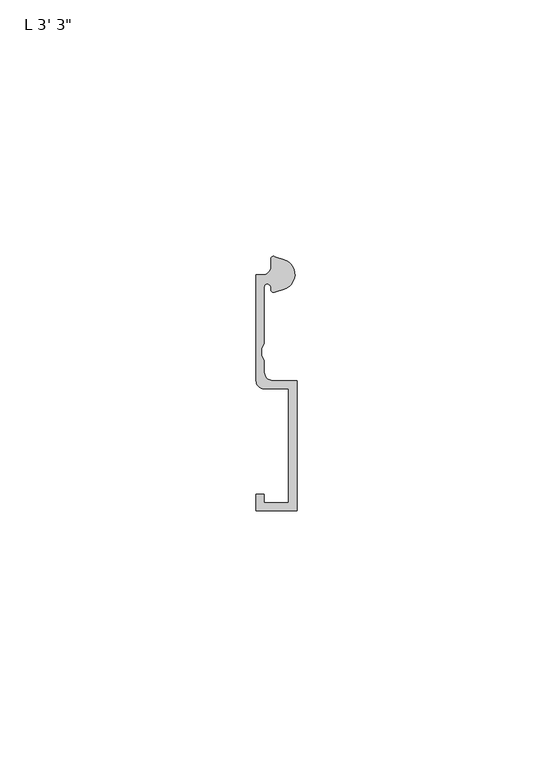
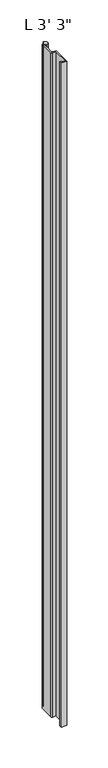
"""IFC4 building model written with IfcOpenShell, lengths in millimetres: proxy geometry."""

from ifc_helpers import new_model, si_unit, point, frame_2d, origin, origin_with_axes, place, context, project, spatial, polyline, circle_curve, trimmed, segment, composite_curve, outline, extrude, source, transform, mapped, element, save


def proxy_cd273aa1(model_context):
    return source(origin(), model_context, "Body", "SweptSolid", [
        extrude(outline(composite_curve([segment(trimmed(circle_curve(frame_2d((4.5018192, -3.531999)), 3.048), [point((5.4099313, -0.6224223))], [point((7.1037699, -1.944499))], False, "CARTESIAN"), True, "CONTINUOUS"), segment(trimmed(circle_curve(frame_2d((4.5018192, -3.531999)), 3.048), [point((7.1037699, -1.944499))], [point((5.4099313, -6.4415757))], False, "CARTESIAN"), True, "CONTINUOUS"), segment(polyline([(5.4099313, -6.4415757), (3.6135887, -7.0022347)]), True, "CONTINUOUS"), segment(trimmed(circle_curve(frame_2d((3.4254762, -6.4635334)), 0.5706009), [point((3.6135887, -7.0022347))], [point((2.8720827, -6.3244611))], False, "CARTESIAN"), True, "CONTINUOUS"), segment(trimmed(circle_curve(frame_2d((2.1330622, -6.1387392)), 0.762), [point((2.8720827, -6.3244611))], [point((2.1123834, -5.3770198))], True, "CARTESIAN"), True, "CONTINUOUS"), segment(trimmed(circle_curve(frame_2d((2.0955, -5.8847392)), 0.508), [point((2.1123834, -5.3770198))], [point((1.5875, -5.8847392))], True, "CARTESIAN"), True, "CONTINUOUS"), segment(polyline([(1.5875, -5.8847392), (1.5875, -17.0723512), (1.0783361, -17.9897709), (1.0783361, -19.3299316), (1.5875, -20.2473512), (1.5875, -22.6259797)]), True, "CONTINUOUS"), segment(trimmed(circle_curve(frame_2d((3.175, -22.6259797)), 1.5875), [point((1.5875, -22.6259797))], [point((3.175, -24.2134797))], True, "CARTESIAN"), True, "CONTINUOUS"), segment(polyline([(3.175, -24.2134797), (7.9375, -24.2134797), (7.9375, -49.6175641), (0.0, -49.6175641), (0.0, -46.4425641), (1.5875, -46.4425641), (1.5875, -48.0300641), (6.35, -48.0300641), (6.35, -25.8237392), (1.5875, -25.8237392)]), True, "CONTINUOUS"), segment(trimmed(circle_curve(frame_2d((1.5875, -24.2362392)), 1.5875), [point((1.5875, -25.8237392))], [point((0.0, -24.2362392))], False, "CARTESIAN"), True, "CONTINUOUS"), segment(polyline([(0.0, -24.2362392), (0.0, -3.5987392), (1.3075622, -3.5987392)]), True, "CONTINUOUS"), segment(trimmed(circle_curve(frame_2d((1.3075622, -2.0112392)), 1.5875), [point((1.3075622, -3.5987392))], [point((2.8950622, -2.0112392))], True, "CARTESIAN"), True, "CONTINUOUS"), segment(polyline([(2.8950622, -2.0112392), (2.8950622, -0.4696291)]), True, "CONTINUOUS"), segment(trimmed(circle_curve(frame_2d((3.3646912, -0.4696291)), 0.4696291), [point((2.8950622, -0.4696291))], [point((3.5749842, -0.0497144))], False, "CARTESIAN"), True, "CONTINUOUS"), segment(polyline([(3.5749842, -0.0497144), (5.4099313, -0.6224223)]), True, "CONTINUOUS")], self_intersect=False)), origin_with_axes(), (0.0, 0.0, 1.0), 990.6),
    ])


if __name__ == "__main__":
    model = new_model("IFC4")
    model_context = context("Model", 3, world=origin())
    ifc_project = project(units=[si_unit("LENGTHUNIT", "METRE", prefix="MILLI")], contexts=[model_context])
    site = spatial("IfcSite", under=ifc_project)
    building = spatial("IfcBuilding", under=site)
    placement = place(None, origin())
    proxy_shape = proxy_cd273aa1(model_context)
    element("IfcBuildingElementProxy", 1, Name="L 3' 3\"", ObjectType="L 3' 3\"", at=placement, inside=building, context=model_context, shape_type="MappedRepresentation", body=[
        mapped(proxy_shape, transform((0.0, 0.0, 0.0), x_axis=(1.0, 0.0, 0.0), y_axis=(0.0, 1.0, 0.0), z_axis=(0.0, 0.0, 1.0))),
    ])
    save(model, "model.ifc")
